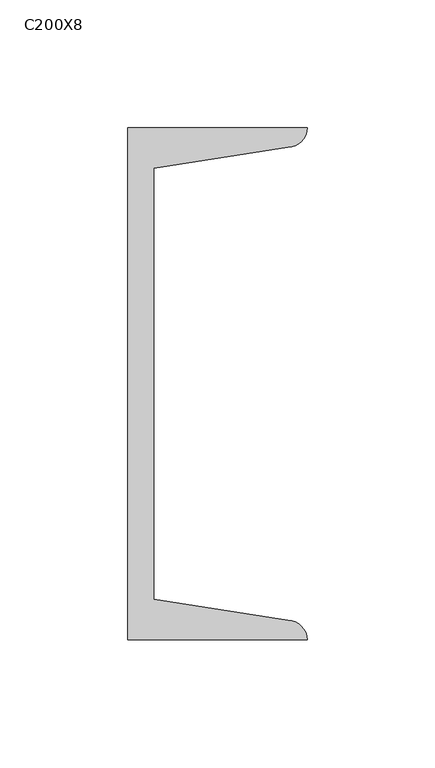
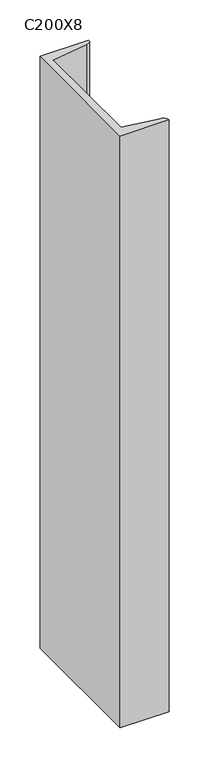
"""IFC4 building model written with IfcOpenShell, lengths in millimetres: column geometry, C200X8."""

from ifc_helpers import new_model, si_unit, point, frame, frame_2d, origin, place, context, project, spatial, polyline, circle_curve, trimmed, segment, composite_curve, outline, extrude, source, transform, mapped, element, save


def c200x8_ae41f5c9(model_context):
    return source(origin(), model_context, "Body", "SweptSolid", [
        extrude(outline(composite_curve([segment(polyline([(5.0, -100.0), (5.0, 100.0), (75.0, 100.0)]), True, "CONTINUOUS"), segment(trimmed(circle_curve(frame_2d((67.5, 100.0)), 7.5), [point((75.0, 100.0))], [point((67.5, 92.5))], False, "CARTESIAN"), True, "CONTINUOUS"), segment(polyline([(67.5, 92.5), (15.0, 84.1848169), (15.0, -84.1848169), (67.5, -92.5)]), True, "CONTINUOUS"), segment(trimmed(circle_curve(frame_2d((67.5, -100.0)), 7.5), [point((67.5, -92.5))], [point((75.0, -100.0))], False, "CARTESIAN"), True, "CONTINUOUS"), segment(polyline([(75.0, -100.0), (5.0, -100.0)]), True, "CONTINUOUS")], self_intersect=False)), frame((0.0, 0.0, 9380.0), z_axis=(0.0, 0.0, 1.0), x_axis=(1.0, 0.0, 0.0)), (0.0, 0.0, 1.0), 900.0),
    ])


if __name__ == "__main__":
    model = new_model("IFC4")
    model_context = context("Model", 3, world=origin())
    ifc_project = project(units=[si_unit("LENGTHUNIT", "METRE", prefix="MILLI")], contexts=[model_context])
    site = spatial("IfcSite", under=ifc_project)
    building = spatial("IfcBuilding", under=site)
    placement = place(None, origin())
    c200x8_shape = c200x8_ae41f5c9(model_context)
    element("IfcColumn", 1, ObjectType="C200X8", at=placement, inside=building, context=model_context, shape_type="MappedRepresentation", body=[
        mapped(c200x8_shape, transform((0.0, 0.0, 0.0), x_axis=(1.0, 0.0, 0.0), y_axis=(0.0, 1.0, 0.0), z_axis=(0.0, 0.0, 1.0))),
    ])
    save(model, "model.ifc")
